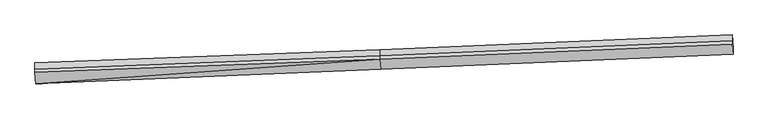
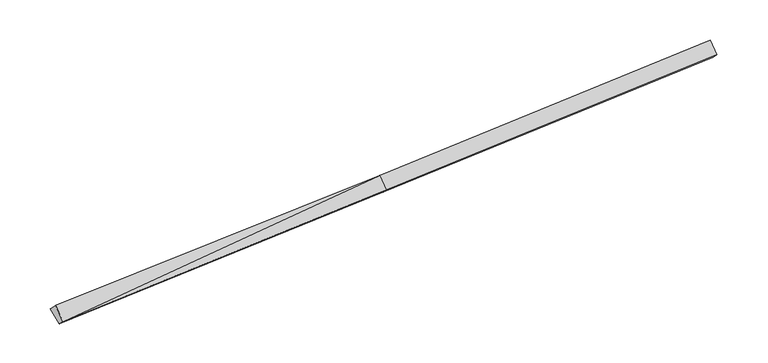
"""IFC4 building model written with IfcOpenShell, lengths in millimetres: proxy geometry."""

from ifc_helpers import new_model, si_unit, frame, origin, place, context, project, spatial, source, transform, mapped, element, save
from ifc_brep_helpers import plane_surface, spline_surface, advanced_brep


def generic_models_b4985e5d(model_context):
    return source(origin(), model_context, "Body", "AdvancedBrep", [
        advanced_brep(
        [(-16567.2962155, -2695.8752028, 1156.5996206), (-16566.0154737, -2392.5936102, 850.9346839), (-106.8584627, -1723.1923454, 1606.3982187), (-108.0831461, -2013.19923, 1898.6841279), (-16615.1021283, -2157.3431015, 1690.7323481), (-151.8947345, -1519.663067, 2388.1884978), (-16614.4477711, -2002.3903389, 1534.5618862), (-151.2669438, -1371.0012866, 2238.358456), (-16613.1646884, -1698.5543948, 1228.3382417), (-150.0611816, -1085.4749695, 1950.588325), (16662.4617418, -654.852938, 3019.3726578), (16661.8339512, -803.5147183, 3169.2026995), (16705.6455396, -1297.0508814, 2679.6983296), (16706.870223, -1007.0439968, 2387.4124205), (16663.6675041, -369.3266208, 2731.6025267)],
        [
            (0, 1),
            (1, 2),
            (2, 3),
            (3, 0),
            (4, 0),
            (0, 5),
            (5, 4),
            (6, 4),
            (5, 7),
            (7, 6),
            (8, 6),
            (7, 9),
            (9, 8),
            (1, 8),
            (9, 2),
            (10, 11),
            (11, 12),
            (12, 13),
            (13, 14),
            (14, 10),
            (3, 5),
            (5, 11),
            (10, 7),
            (3, 12),
            (2, 13),
            (9, 14),
        ],
        [
            plane_surface(frame((-16566.6558446, -2544.2344065, 1003.7671522), z_axis=(0.06108410619829638, -0.7086712386135001, -0.7028896126220411), x_axis=(0.002974350654438545, 0.7043307394522177, -0.7098657356858948))),
            plane_surface(frame((-16591.1991719, -2426.6091522, 1423.6659843), z_axis=(-0.0027924944778213376, -0.7043229722150404, 0.7098741809537539), x_axis=(0.06290251678516576, -0.7085948701069731, -0.7028062204051512))),
            plane_surface(frame((-16614.7749497, -2079.8667202, 1612.6471172), z_axis=(-0.057240106873888176, 0.7088249083913655, 0.7030581906279441), x_axis=(-0.002974350654443844, -0.7043307394522174, 0.7098657356858953))),
            plane_surface(frame((-16613.8062297, -1850.4723668, 1381.450064), z_axis=(-0.05724010687388817, 0.7088249083913652, 0.7030581906279443), x_axis=(-0.0029743506544438153, -0.7043307394522176, 0.7098657356858951))),
            spline_surface(1, 1, [[(-16566.0154737, -2392.5936102, 850.9346839), (-106.8584627, -1723.1923454, 1606.3982187)], [(-16613.1646884, -1698.5543948, 1228.3382417), (-150.0611816, -1085.4749695, 1950.588325)]], [2, 2], [2, 2], [0.0, 1.0], [0.0, 1.0]),
            plane_surface(frame((16684.5043044, -869.2340543, 2741.9789941), z_axis=(0.9980152436813168, 0.042561949212578096, 0.046411785776331795), x_axis=(-0.002974350654444406, -0.7043307394522181, 0.7098657356858945))),
            plane_surface(frame((-16590.3946265, -2236.0915773, 1231.6512236), z_axis=(-0.9980152436813159, -0.042561949212586214, -0.046411785776340114), x_axis=(-0.002974350654444634, -0.7043307394522176, 0.7098657356858948))),
            plane_surface(frame((-16567.2962155, -2695.8752028, 1156.5996206), z_axis=(-0.0027924944778216776, -0.7043229722150383, 0.7098741809537561), x_axis=(0.06290251678515944, -0.7085948701069756, -0.7028062204051493))),
            plane_surface(frame((-151.5808392, -1445.3321768, 2313.2734769), z_axis=(-0.06282756866058198, 0.7085980643834405, 0.7028097038091049), x_axis=(-0.0029743506544489717, -0.7043307394522179, 0.7098657356858946))),
            plane_surface(frame((-129.9889403, -1766.4311485, 2143.4363128), z_axis=(-0.0029743506544441904, -0.7043307394522158, 0.7098657356858968), x_axis=(0.06290251678515413, -0.7085948701069751, -0.7028062204051502))),
            plane_surface(frame((-107.4708044, -1868.1957877, 1752.5411733), z_axis=(0.06282756866058203, -0.7085980643834406, -0.7028097038091045), x_axis=(0.0029743506544434835, 0.7043307394522174, -0.7098657356858952))),
            plane_surface(frame((-128.4598222, -1404.3336574, 1778.4932719), z_axis=(0.02056983109956764, 0.4759378145824436, -0.8792383514718993), x_axis=(-0.0595112219676962, 0.8784479603895918, 0.4741177019973815))),
            plane_surface(frame((-150.6640627, -1228.2381281, 2094.4733905), z_axis=(-0.06282756866058202, 0.70859806438344, 0.7028097038091053), x_axis=(-0.002974350654442029, -0.7043307394522181, 0.7098657356858944))),
        ],
        [
            (0, [[1, 2, 3, 4]]),
            (1, [[5, 6, 7]]),
            (2, [[8, -7, 9, 10]]),
            (3, [[11, -10, 12, 13]]),
            (4, [[14, -13, 15, -2]]),
            (5, [[16, 17, 18, 19, 20]]),
            (6, [[-1, -5, -8, -11, -14]]),
            (7, [[21, -6, -4]]),
            (8, [[-9, 22, -16, 23]]),
            (9, [[-21, 24, -17, -22]]),
            (10, [[-3, 25, -18, -24]]),
            (11, [[-15, 26, -19, -25]]),
            (12, [[-12, -23, -20, -26]]),
        ],
    ),
    ])


if __name__ == "__main__":
    model = new_model("IFC4")
    model_context = context("Model", 3, world=origin())
    ifc_project = project(units=[si_unit("LENGTHUNIT", "METRE", prefix="MILLI")], contexts=[model_context])
    site = spatial("IfcSite", under=ifc_project)
    building = spatial("IfcBuilding", under=site)
    placement = place(None, origin())
    generic_models_shape = generic_models_b4985e5d(model_context)
    element("IfcBuildingElementProxy", 1, Name="Generic Models", at=placement, inside=building, context=model_context, shape_type="MappedRepresentation", body=[
        mapped(generic_models_shape, transform((0.0, 0.0, 0.0), x_axis=(1.0, 0.0, 0.0), y_axis=(0.0, 1.0, 0.0), z_axis=(0.0, 0.0, 1.0))),
    ])
    save(model, "model.ifc")
